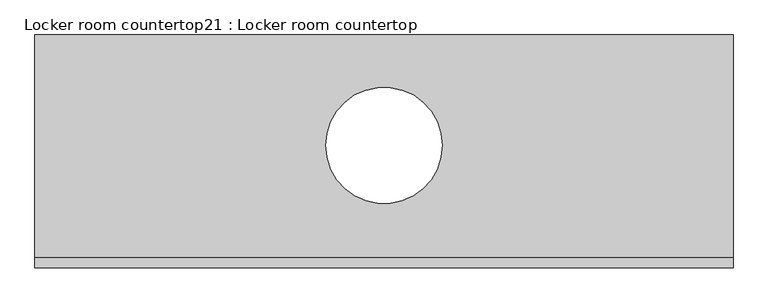
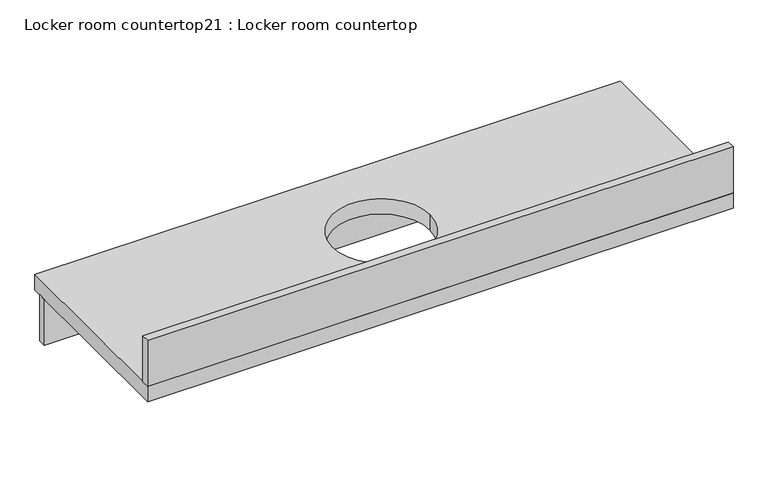
"""IFC4 building model written with IfcOpenShell, lengths in millimetres: furniture geometry, Locker room countertop21 : Locker room countertop."""

from ifc_helpers import new_model, si_unit, point, frame, frame_2d, origin, place, context, project, spatial, polyline, circle_curve, trimmed, segment, composite_curve, outline, extrude, source, transform, mapped, element, save


def locker_room_countertop21_locker_room_countertop_fbc41e89(model_context):
    return source(origin(), model_context, "Body", "SweptSolid", [
        extrude(outline(polyline([(447933.9510508, -349301.6080223), (449762.7510508, -349301.6080223), (449762.7510508, -349327.0080223), (447933.9510508, -349327.0080223), (447933.9510508, -349301.6080223)])), frame((0.0, 0.0, 660.4), z_axis=(0.0, 0.0, 1.0), x_axis=(1.0, 0.0, 0.0)), (0.0, 0.0, 1.0), 152.4),
        extrude(outline(polyline([(449762.7510508, -349860.4080223), (449762.7510508, -349885.8080223), (447933.9510508, -349885.8080223), (447933.9510508, -349860.4080223), (449762.7510508, -349860.4080223)])), frame((0.0, 0.0, 863.6), z_axis=(0.0, 0.0, 1.0), x_axis=(1.0, 0.0, 0.0)), (0.0, 0.0, 1.0), 152.4),
        extrude(outline(polyline([(449762.7510508, -349276.2080223), (449762.7510508, -349885.8080223), (447933.9510508, -349885.8080223), (447933.9510508, -349276.2080223), (449762.7510508, -349276.2080223)]), holes=[composite_curve([segment(trimmed(circle_curve(frame_2d((448848.3510508, -349565.5453937)), 152.4), [point((448695.9510508, -349565.5453937))], [point((449000.7510508, -349565.5453937))], True, "CARTESIAN"), True, "CONTINUOUS"), segment(trimmed(circle_curve(frame_2d((448848.3510508, -349565.5453937)), 152.4), [point((449000.7510508, -349565.5453937))], [point((448695.9510508, -349565.5453937))], True, "CARTESIAN"), True, "CONTINUOUS")], self_intersect=False)]), frame((0.0, 0.0, 812.8), z_axis=(0.0, 0.0, 1.0), x_axis=(1.0, 0.0, 0.0)), (0.0, 0.0, 1.0), 50.8),
    ])


if __name__ == "__main__":
    model = new_model("IFC4")
    model_context = context("Model", 3, world=origin())
    ifc_project = project(units=[si_unit("LENGTHUNIT", "METRE", prefix="MILLI")], contexts=[model_context])
    site = spatial("IfcSite", under=ifc_project)
    building = spatial("IfcBuilding", under=site)
    placement = place(None, origin())
    locker_room_countertop21_locker_room_countertop_shape = locker_room_countertop21_locker_room_countertop_fbc41e89(model_context)
    element("IfcFurniture", 1, ObjectType="Locker room countertop21 : Locker room countertop", at=placement, inside=building, context=model_context, shape_type="MappedRepresentation", body=[
        mapped(locker_room_countertop21_locker_room_countertop_shape, transform((0.0, 0.0, 0.0), x_axis=(1.0, 0.0, 0.0), y_axis=(0.0, 1.0, 0.0), z_axis=(0.0, 0.0, 1.0))),
    ])
    save(model, "model.ifc")
